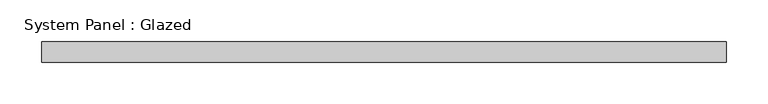
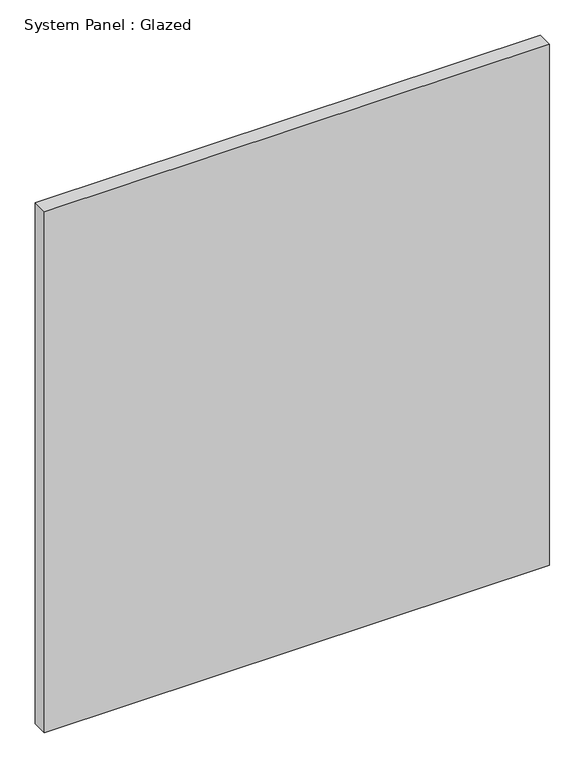
"""IFC4 building model written with IfcOpenShell, lengths in millimetres: plate geometry, System Panel : Glazed."""

from ifc_helpers import new_model, si_unit, origin, origin_with_axes, place, context, project, spatial, polyline, outline, extrude, source, transform, mapped, element, save


def system_panel_glazed_9b7c1dc3(model_context):
    return source(origin(), model_context, "Body", "SweptSolid", [
        extrude(outline(polyline([(412.5, -49.5), (-412.5, -49.5), (-412.5, -24.5), (412.5, -24.5), (412.5, -49.5)])), origin_with_axes(), (0.0, 0.0, 1.0), 899.0),
    ])


if __name__ == "__main__":
    model = new_model("IFC4")
    model_context = context("Model", 3, world=origin())
    ifc_project = project(units=[si_unit("LENGTHUNIT", "METRE", prefix="MILLI")], contexts=[model_context])
    site = spatial("IfcSite", under=ifc_project)
    building = spatial("IfcBuilding", under=site)
    placement = place(None, origin())
    system_panel_glazed_shape = system_panel_glazed_9b7c1dc3(model_context)
    element("IfcPlate", 1, ObjectType="System Panel : Glazed", at=placement, inside=building, context=model_context, shape_type="MappedRepresentation", body=[
        mapped(system_panel_glazed_shape, transform((0.0, 0.0, 0.0), x_axis=(1.0, 0.0, 0.0), y_axis=(0.0, 1.0, 0.0), z_axis=(0.0, 0.0, 1.0))),
    ])
    save(model, "model.ifc")
